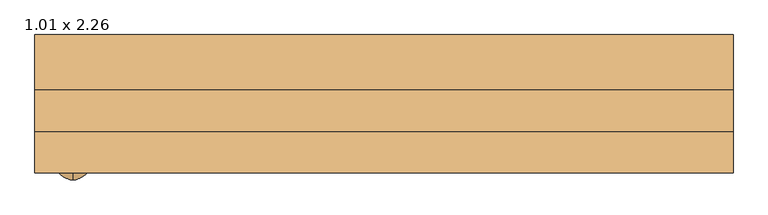
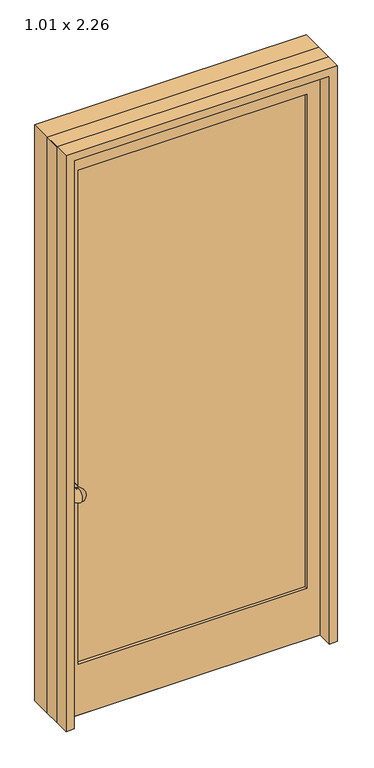
"""IFC4 building model written with IfcOpenShell, lengths in millimetres: door geometry, 1.01 x 2.26."""

from ifc_helpers import new_model, si_unit, point, frame, frame_2d, origin, place, context, project, spatial, polyline, circle_curve, ellipse_curve, trimmed, segment, composite_curve, outline, extrude, source, transform, mapped, element, save
from ifc_brep_helpers import plane_surface, cylinder_surface, revolved_surface, advanced_brep


def door_1_01_x_2_26_d3a76913(model_context):
    return source(origin(), model_context, "Body", "SolidModel", [
        advanced_brep(
        [(-450.0, -207.6525075, 990.0), (-450.0, -255.5653859, 1000.0), (-450.0, -207.6525075, 1010.0), (-450.0, -195.5653859, 990.0), (-450.0, -195.5653859, 1010.0), (-450.0, -195.5653859, 1000.0)],
        [
            (0, 1, circle_curve(frame((-450.0, -230.5653859, 1000.0), z_axis=(-1.0, 0.0, 0.0), x_axis=(0.0, -1.0, 0.0)), 25.0)),
            (1, 2, circle_curve(frame((-450.0, -230.5653859, 1000.0), z_axis=(-1.0, 0.0, 0.0), x_axis=(0.0, -1.0, 0.0)), 25.0)),
            (2, 0, circle_curve(frame((-450.0, -207.6525075, 1000.0), z_axis=(0.0, -1.0, 0.0), x_axis=(0.0, 0.0, 1.0)), 10.0)),
            (0, 2, circle_curve(frame((-450.0, -207.6525075, 1000.0), z_axis=(0.0, -1.0, 0.0), x_axis=(0.0, 0.0, 1.0)), 10.0)),
            (3, 0),
            (2, 4),
            (4, 3, circle_curve(frame((-450.0, -195.5653859, 1000.0), z_axis=(0.0, -1.0, 0.0), x_axis=(0.0, 0.0, 1.0)), 10.0)),
            (3, 4, circle_curve(frame((-450.0, -195.5653859, 1000.0), z_axis=(0.0, -1.0, 0.0), x_axis=(0.0, 0.0, 1.0)), 10.0)),
            (5, 3),
            (4, 5),
        ],
        [
            revolved_surface(trimmed(ellipse_curve(frame((-450.0, -230.5653859, 1000.0), z_axis=(-1.0, 0.0, 0.0), x_axis=(0.0, -1.0, 0.0)), 25.0, 25.0), [point((-450.0, -255.5653859, 1000.0))], [point((-450.0, -207.6525075, 1010.0))], True, "CARTESIAN"), (-450.0, 2655.9507844, 1000.0), (0.0, 1.0, 0.0)),
            cylinder_surface(frame((-450.0, 2655.9507844, 1000.0), z_axis=(0.0, 1.0, 0.0), x_axis=(0.0, 0.0, 1.0)), 10.0),
            plane_surface(frame((-450.0, -195.5653859, 1000.0), z_axis=(0.0, 1.0, 0.0), x_axis=(0.0, 0.0, 1.0))),
        ],
        [
            (0, [[1, 2, 3]]),
            (0, [[-2, -1, 4]]),
            (1, [[5, -3, 6, 7]]),
            (1, [[-6, -4, -5, 8]]),
            (2, [[9, -7, 10]]),
            (2, [[-10, -8, -9]]),
        ],
    ),
        extrude(outline(composite_curve([segment(trimmed(circle_curve(frame_2d((1000.0, -450.0)), 20.0), [point((1000.0, -430.0))], [point((1000.0, -470.0))], False, "CARTESIAN"), True, "CONTINUOUS"), segment(trimmed(circle_curve(frame_2d((1000.0, -450.0)), 20.0), [point((1000.0, -470.0))], [point((1000.0, -430.0))], False, "CARTESIAN"), True, "CONTINUOUS")], self_intersect=False)), frame((0.0, -195.5653859, 0.0), z_axis=(0.0, 1.0, 0.0), x_axis=(0.0, 0.0, 1.0)), (0.0, 0.0, 1.0), 10.0),
        advanced_brep(
        [(-450.0, -103.4782644, 990.0), (-450.0, -103.4782644, 1010.0), (-450.0, -55.5653859, 1000.0), (-450.0, -115.5653859, 990.0), (-450.0, -115.5653859, 1010.0), (-450.0, -115.5653859, 1000.0)],
        [
            (0, 1, circle_curve(frame((-450.0, -103.4782644, 1000.0), z_axis=(0.0, 1.0, 0.0), x_axis=(0.0, 0.0, 1.0)), 10.0)),
            (1, 2, circle_curve(frame((-450.0, -80.5653859, 1000.0), z_axis=(-1.0, 0.0, 0.0), x_axis=(0.0, 1.0, 0.0)), 25.0)),
            (2, 0, circle_curve(frame((-450.0, -80.5653859, 1000.0), z_axis=(-1.0, 0.0, 0.0), x_axis=(0.0, 1.0, 0.0)), 25.0)),
            (1, 0, circle_curve(frame((-450.0, -103.4782644, 1000.0), z_axis=(0.0, 1.0, 0.0), x_axis=(0.0, 0.0, 1.0)), 10.0)),
            (3, 4, circle_curve(frame((-450.0, -115.5653859, 1000.0), z_axis=(0.0, 1.0, 0.0), x_axis=(0.0, 0.0, 1.0)), 10.0)),
            (4, 1),
            (0, 3),
            (4, 3, circle_curve(frame((-450.0, -115.5653859, 1000.0), z_axis=(0.0, 1.0, 0.0), x_axis=(0.0, 0.0, 1.0)), 10.0)),
            (5, 4),
            (3, 5),
        ],
        [
            revolved_surface(trimmed(ellipse_curve(frame((-450.0, -80.5653859, 1000.0), z_axis=(1.0, 0.0, 0.0), x_axis=(0.0, 1.0, 0.0)), 25.0, 25.0), [point((-450.0, -55.5653859, 1000.0))], [point((-450.0, -103.4782644, 1010.0))], True, "CARTESIAN"), (-450.0, -2967.0815562, 1000.0), (0.0, -1.0, 0.0)),
            cylinder_surface(frame((-450.0, -2967.0815562, 1000.0), z_axis=(0.0, -1.0, 0.0), x_axis=(0.0, 0.0, 1.0)), 10.0),
            plane_surface(frame((-450.0, -115.5653859, 1000.0), z_axis=(0.0, -1.0, 0.0), x_axis=(0.0, 0.0, 1.0))),
        ],
        [
            (0, [[1, 2, 3]]),
            (0, [[4, -3, -2]]),
            (1, [[5, 6, -1, 7]]),
            (1, [[8, -7, -4, -6]]),
            (2, [[9, -5, 10]]),
            (2, [[-10, -8, -9]]),
        ],
    ),
        extrude(outline(composite_curve([segment(trimmed(circle_curve(frame_2d((1000.0, -450.0)), 20.0), [point((1000.0, -430.0))], [point((1000.0, -470.0))], False, "CARTESIAN"), True, "CONTINUOUS"), segment(trimmed(circle_curve(frame_2d((1000.0, -450.0)), 20.0), [point((1000.0, -470.0))], [point((1000.0, -430.0))], False, "CARTESIAN"), True, "CONTINUOUS")], self_intersect=False)), frame((0.0, -125.5653859, 0.0), z_axis=(0.0, 1.0, 0.0), x_axis=(0.0, 0.0, 1.0)), (0.0, 0.0, 1.0), 10.0),
        extrude(outline(polyline([(425.0, -173.9440021), (-425.0, -173.9440021), (-425.0, -148.9440021), (425.0, -148.9440021), (425.0, -173.9440021)])), frame((0.0, 0.0, 300.0), z_axis=(0.0, 0.0, 1.0), x_axis=(1.0, 0.0, 0.0)), (0.0, 0.0, 1.0), 1940.0),
        extrude(outline(polyline([(2360.0, 505.0), (2360.0, -505.0), (100.0, -505.0), (100.0, 505.0), (2360.0, 505.0)]), holes=[polyline([(2240.0, -425.0), (2240.0, 425.0), (300.0, 425.0), (300.0, -425.0), (2240.0, -425.0)])]), frame((0.0, -185.5653859, 0.0), z_axis=(0.0, 1.0, 0.0), x_axis=(0.0, 0.0, 1.0)), (0.0, 0.0, 1.0), 60.0),
        extrude(outline(polyline([(100.0, 475.0), (100.0, 505.0), (2360.0, 505.0), (2360.0, -505.0), (100.0, -505.0), (100.0, -475.0), (2330.0, -475.0), (2330.0, 475.0), (100.0, 475.0)])), frame((0.0, -245.5653859, 0.0), z_axis=(0.0, 1.0, 0.0), x_axis=(0.0, 0.0, 1.0)), (0.0, 0.0, 1.0), 200.0),
        extrude(outline(polyline([(2330.0, -475.0), (100.0, -475.0), (100.0, 475.0), (2330.0, 475.0), (2330.0, -475.0)]), holes=[polyline([(2240.0, -425.0), (2240.0, 425.0), (300.0, 425.0), (300.0, -425.0), (2240.0, -425.0)])]), frame((0.0, -185.5653859, 0.0), z_axis=(0.0, 1.0, 0.0), x_axis=(0.0, 0.0, 1.0)), (0.0, 0.0, 1.0), 60.0),
    ])


if __name__ == "__main__":
    model = new_model("IFC4")
    model_context = context("Model", 3, world=origin())
    ifc_project = project(units=[si_unit("LENGTHUNIT", "METRE", prefix="MILLI")], contexts=[model_context])
    site = spatial("IfcSite", under=ifc_project)
    building = spatial("IfcBuilding", under=site)
    placement = place(None, origin())
    door_1_01_x_2_26_shape = door_1_01_x_2_26_d3a76913(model_context)
    element("IfcDoor", 1, ObjectType="1.01 x 2.26", at=placement, inside=building, context=model_context, shape_type="MappedRepresentation", body=[
        mapped(door_1_01_x_2_26_shape, transform((0.0, 0.0, 0.0), x_axis=(1.0, 0.0, 0.0), y_axis=(0.0, 1.0, 0.0), z_axis=(0.0, 0.0, 1.0))),
    ])
    save(model, "model.ifc")
